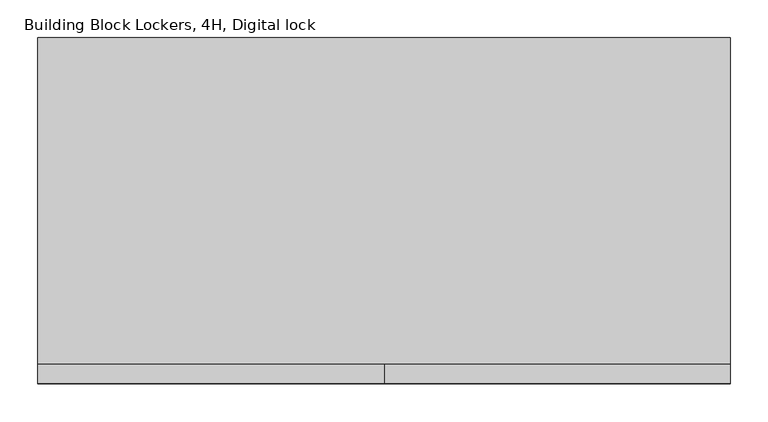
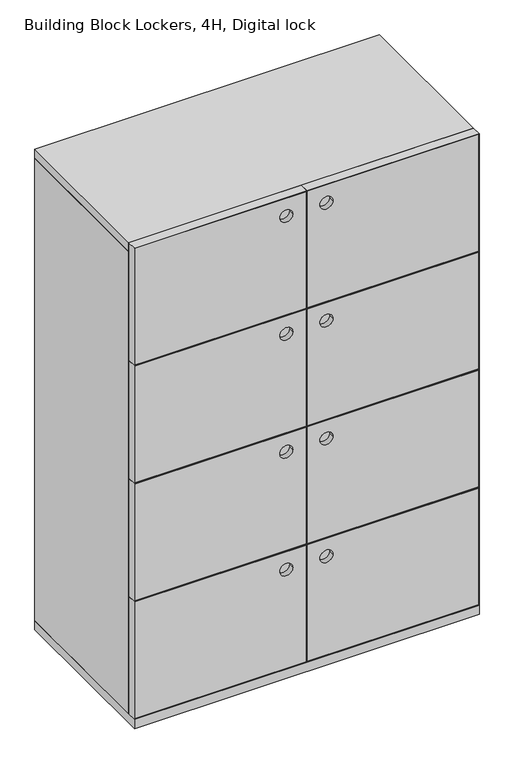
"""IFC4 building model written with IfcOpenShell, lengths in millimetres: furniture geometry, Building Block Lockers, 4H, Digital lock."""

from ifc_helpers import new_model, si_unit, point, frame, frame_2d, origin, origin_with_axes, place, context, project, spatial, polyline, circle_curve, trimmed, segment, composite_curve, outline, extrude, source, transform, mapped, element, save


def building_block_lockers_4h_digital_lock_56b67648(model_context):
    return source(origin(), model_context, "Body", "SweptSolid", [
        extrude(outline(composite_curve([segment(trimmed(circle_curve(frame_2d((315.9225908, 510.3810838)), 17.145), [point((315.9225908, 493.2360838))], [point((315.9225908, 527.5260838))], False, "CARTESIAN"), True, "CONTINUOUS"), segment(trimmed(circle_curve(frame_2d((315.9225908, 510.3810838)), 17.145), [point((315.9225908, 527.5260838))], [point((315.9225908, 493.2360838))], False, "CARTESIAN"), True, "CONTINUOUS")], self_intersect=False)), frame((0.0, -440.5250398, 0.0), z_axis=(0.0, 1.0, 0.0), x_axis=(0.0, 0.0, 1.0)), (0.0, 0.0, 1.0), 8.7250398),
        extrude(outline(composite_curve([segment(trimmed(circle_curve(frame_2d((315.9225855, 404.0187707)), 17.145), [point((315.9225855, 386.8737707))], [point((315.9225855, 421.1637707))], False, "CARTESIAN"), True, "CONTINUOUS"), segment(trimmed(circle_curve(frame_2d((315.9225855, 404.0187707)), 17.145), [point((315.9225855, 421.1637707))], [point((315.9225855, 386.8737707))], False, "CARTESIAN"), True, "CONTINUOUS")], self_intersect=False)), frame((0.0, -440.5250398, 0.0), z_axis=(0.0, 1.0, 0.0), x_axis=(0.0, 0.0, 1.0)), (0.0, 0.0, 1.0), 8.7250398),
        extrude(outline(composite_curve([segment(trimmed(circle_curve(frame_2d((646.1225908, 510.3810838)), 17.145), [point((646.1225908, 493.2360838))], [point((646.1225908, 527.5260838))], False, "CARTESIAN"), True, "CONTINUOUS"), segment(trimmed(circle_curve(frame_2d((646.1225908, 510.3810838)), 17.145), [point((646.1225908, 527.5260838))], [point((646.1225908, 493.2360838))], False, "CARTESIAN"), True, "CONTINUOUS")], self_intersect=False)), frame((0.0, -440.5250398, 0.0), z_axis=(0.0, 1.0, 0.0), x_axis=(0.0, 0.0, 1.0)), (0.0, 0.0, 1.0), 8.7250398),
        extrude(outline(composite_curve([segment(trimmed(circle_curve(frame_2d((646.1225855, 404.0187707)), 17.145), [point((646.1225855, 386.8737707))], [point((646.1225855, 421.1637707))], False, "CARTESIAN"), True, "CONTINUOUS"), segment(trimmed(circle_curve(frame_2d((646.1225855, 404.0187707)), 17.145), [point((646.1225855, 421.1637707))], [point((646.1225855, 386.8737707))], False, "CARTESIAN"), True, "CONTINUOUS")], self_intersect=False)), frame((0.0, -440.5250398, 0.0), z_axis=(0.0, 1.0, 0.0), x_axis=(0.0, 0.0, 1.0)), (0.0, 0.0, 1.0), 8.7250398),
        extrude(outline(composite_curve([segment(trimmed(circle_curve(frame_2d((976.3225908, 510.3810838)), 17.145), [point((976.3225908, 493.2360838))], [point((976.3225908, 527.5260838))], False, "CARTESIAN"), True, "CONTINUOUS"), segment(trimmed(circle_curve(frame_2d((976.3225908, 510.3810838)), 17.145), [point((976.3225908, 527.5260838))], [point((976.3225908, 493.2360838))], False, "CARTESIAN"), True, "CONTINUOUS")], self_intersect=False)), frame((0.0, -440.5250398, 0.0), z_axis=(0.0, 1.0, 0.0), x_axis=(0.0, 0.0, 1.0)), (0.0, 0.0, 1.0), 8.7250398),
        extrude(outline(composite_curve([segment(trimmed(circle_curve(frame_2d((976.3225855, 404.0187707)), 17.145), [point((976.3225855, 386.8737707))], [point((976.3225855, 421.1637707))], False, "CARTESIAN"), True, "CONTINUOUS"), segment(trimmed(circle_curve(frame_2d((976.3225855, 404.0187707)), 17.145), [point((976.3225855, 421.1637707))], [point((976.3225855, 386.8737707))], False, "CARTESIAN"), True, "CONTINUOUS")], self_intersect=False)), frame((0.0, -440.5250398, 0.0), z_axis=(0.0, 1.0, 0.0), x_axis=(0.0, 0.0, 1.0)), (0.0, 0.0, 1.0), 8.7250398),
        extrude(outline(composite_curve([segment(trimmed(circle_curve(frame_2d((1306.5225908, 510.3810838)), 17.145), [point((1306.5225908, 493.2360838))], [point((1306.5225908, 527.5260838))], False, "CARTESIAN"), True, "CONTINUOUS"), segment(trimmed(circle_curve(frame_2d((1306.5225908, 510.3810838)), 17.145), [point((1306.5225908, 527.5260838))], [point((1306.5225908, 493.2360838))], False, "CARTESIAN"), True, "CONTINUOUS")], self_intersect=False)), frame((0.0, -440.5250398, 0.0), z_axis=(0.0, 1.0, 0.0), x_axis=(0.0, 0.0, 1.0)), (0.0, 0.0, 1.0), 8.7250398),
        extrude(outline(composite_curve([segment(trimmed(circle_curve(frame_2d((1306.5225855, 404.0187707)), 17.145), [point((1306.5225855, 386.8737707))], [point((1306.5225855, 421.1637707))], False, "CARTESIAN"), True, "CONTINUOUS"), segment(trimmed(circle_curve(frame_2d((1306.5225855, 404.0187707)), 17.145), [point((1306.5225855, 421.1637707))], [point((1306.5225855, 386.8737707))], False, "CARTESIAN"), True, "CONTINUOUS")], self_intersect=False)), frame((0.0, -440.5250398, 0.0), z_axis=(0.0, 1.0, 0.0), x_axis=(0.0, 0.0, 1.0)), (0.0, 0.0, 1.0), 8.7250398),
        extrude(outline(polyline([(367.03, 1.27), (39.37, 1.27), (39.37, 455.93), (367.03, 455.93), (367.03, 1.27)]), holes=[composite_curve([segment(trimmed(circle_curve(frame_2d((315.9225855, 404.0187707)), 17.145), [point((315.9225855, 386.8737707))], [point((315.9225855, 421.1637707))], True, "CARTESIAN"), True, "CONTINUOUS"), segment(trimmed(circle_curve(frame_2d((315.9225855, 404.0187707)), 17.145), [point((315.9225855, 421.1637707))], [point((315.9225855, 386.8737707))], True, "CARTESIAN"), True, "CONTINUOUS")], self_intersect=False)]), frame((0.0, -455.6390877, 0.0), z_axis=(0.0, 1.0, 0.0), x_axis=(0.0, 0.0, 1.0)), (0.0, 0.0, 1.0), 23.8802268),
        extrude(outline(polyline([(368.3, 457.2), (368.3, 0.0), (38.1, 0.0), (38.1, 457.2), (368.3, 457.2)]), holes=[polyline([(367.03, 1.27), (367.03, 455.93), (39.37, 455.93), (39.37, 1.27), (367.03, 1.27)])]), frame((0.0, -457.2, 0.0), z_axis=(0.0, 1.0, 0.0), x_axis=(0.0, 0.0, 1.0)), (0.0, 0.0, 1.0), 25.4),
        extrude(outline(polyline([(367.03, 913.13), (367.03, 458.47), (39.37, 458.47), (39.37, 913.13), (367.03, 913.13)]), holes=[composite_curve([segment(trimmed(circle_curve(frame_2d((315.9225908, 510.3810838)), 17.145), [point((315.9225908, 493.2360838))], [point((315.9225908, 527.5260838))], True, "CARTESIAN"), True, "CONTINUOUS"), segment(trimmed(circle_curve(frame_2d((315.9225908, 510.3810838)), 17.145), [point((315.9225908, 527.5260838))], [point((315.9225908, 493.2360838))], True, "CARTESIAN"), True, "CONTINUOUS")], self_intersect=False)]), frame((0.0, -455.6390877, 0.0), z_axis=(0.0, 1.0, 0.0), x_axis=(0.0, 0.0, 1.0)), (0.0, 0.0, 1.0), 23.8802268),
        extrude(outline(polyline([(368.3, 457.2), (38.1, 457.2), (38.1, 914.4), (368.3, 914.4), (368.3, 457.2)]), holes=[polyline([(367.03, 913.13), (39.37, 913.13), (39.37, 458.47), (367.03, 458.47), (367.03, 913.13)])]), frame((0.0, -457.2, 0.0), z_axis=(0.0, 1.0, 0.0), x_axis=(0.0, 0.0, 1.0)), (0.0, 0.0, 1.0), 25.4),
        extrude(outline(polyline([(697.23, 1.27), (369.57, 1.27), (369.57, 455.93), (697.23, 455.93), (697.23, 1.27)]), holes=[composite_curve([segment(trimmed(circle_curve(frame_2d((646.1225855, 404.0187707)), 17.145), [point((646.1225855, 386.8737707))], [point((646.1225855, 421.1637707))], True, "CARTESIAN"), True, "CONTINUOUS"), segment(trimmed(circle_curve(frame_2d((646.1225855, 404.0187707)), 17.145), [point((646.1225855, 421.1637707))], [point((646.1225855, 386.8737707))], True, "CARTESIAN"), True, "CONTINUOUS")], self_intersect=False)]), frame((0.0, -455.6390877, 0.0), z_axis=(0.0, 1.0, 0.0), x_axis=(0.0, 0.0, 1.0)), (0.0, 0.0, 1.0), 23.8802268),
        extrude(outline(polyline([(698.5, 457.2), (698.5, 0.0), (368.3, 0.0), (368.3, 457.2), (698.5, 457.2)]), holes=[polyline([(697.23, 1.27), (697.23, 455.93), (369.57, 455.93), (369.57, 1.27), (697.23, 1.27)])]), frame((0.0, -457.2, 0.0), z_axis=(0.0, 1.0, 0.0), x_axis=(0.0, 0.0, 1.0)), (0.0, 0.0, 1.0), 25.4),
        extrude(outline(polyline([(697.23, 913.13), (697.23, 458.47), (369.57, 458.47), (369.57, 913.13), (697.23, 913.13)]), holes=[composite_curve([segment(trimmed(circle_curve(frame_2d((646.1225908, 510.3810838)), 17.145), [point((646.1225908, 493.2360838))], [point((646.1225908, 527.5260838))], True, "CARTESIAN"), True, "CONTINUOUS"), segment(trimmed(circle_curve(frame_2d((646.1225908, 510.3810838)), 17.145), [point((646.1225908, 527.5260838))], [point((646.1225908, 493.2360838))], True, "CARTESIAN"), True, "CONTINUOUS")], self_intersect=False)]), frame((0.0, -455.6390877, 0.0), z_axis=(0.0, 1.0, 0.0), x_axis=(0.0, 0.0, 1.0)), (0.0, 0.0, 1.0), 23.8802268),
        extrude(outline(polyline([(698.5, 457.2), (368.3, 457.2), (368.3, 914.4), (698.5, 914.4), (698.5, 457.2)]), holes=[polyline([(697.23, 913.13), (369.57, 913.13), (369.57, 458.47), (697.23, 458.47), (697.23, 913.13)])]), frame((0.0, -457.2, 0.0), z_axis=(0.0, 1.0, 0.0), x_axis=(0.0, 0.0, 1.0)), (0.0, 0.0, 1.0), 25.4),
        extrude(outline(polyline([(1027.43, 1.27), (699.77, 1.27), (699.77, 455.93), (1027.43, 455.93), (1027.43, 1.27)]), holes=[composite_curve([segment(trimmed(circle_curve(frame_2d((976.3225855, 404.0187707)), 17.145), [point((976.3225855, 386.8737707))], [point((976.3225855, 421.1637707))], True, "CARTESIAN"), True, "CONTINUOUS"), segment(trimmed(circle_curve(frame_2d((976.3225855, 404.0187707)), 17.145), [point((976.3225855, 421.1637707))], [point((976.3225855, 386.8737707))], True, "CARTESIAN"), True, "CONTINUOUS")], self_intersect=False)]), frame((0.0, -455.6390877, 0.0), z_axis=(0.0, 1.0, 0.0), x_axis=(0.0, 0.0, 1.0)), (0.0, 0.0, 1.0), 23.8802268),
        extrude(outline(polyline([(1028.7, 457.2), (1028.7, 0.0), (698.5, 0.0), (698.5, 457.2), (1028.7, 457.2)]), holes=[polyline([(1027.43, 1.27), (1027.43, 455.93), (699.77, 455.93), (699.77, 1.27), (1027.43, 1.27)])]), frame((0.0, -457.2, 0.0), z_axis=(0.0, 1.0, 0.0), x_axis=(0.0, 0.0, 1.0)), (0.0, 0.0, 1.0), 25.4),
        extrude(outline(polyline([(1027.43, 913.13), (1027.43, 458.47), (699.77, 458.47), (699.77, 913.13), (1027.43, 913.13)]), holes=[composite_curve([segment(trimmed(circle_curve(frame_2d((976.3225908, 510.3810838)), 17.145), [point((976.3225908, 493.2360838))], [point((976.3225908, 527.5260838))], True, "CARTESIAN"), True, "CONTINUOUS"), segment(trimmed(circle_curve(frame_2d((976.3225908, 510.3810838)), 17.145), [point((976.3225908, 527.5260838))], [point((976.3225908, 493.2360838))], True, "CARTESIAN"), True, "CONTINUOUS")], self_intersect=False)]), frame((0.0, -455.6390877, 0.0), z_axis=(0.0, 1.0, 0.0), x_axis=(0.0, 0.0, 1.0)), (0.0, 0.0, 1.0), 23.8802268),
        extrude(outline(polyline([(1028.7, 457.2), (698.5, 457.2), (698.5, 914.4), (1028.7, 914.4), (1028.7, 457.2)]), holes=[polyline([(1027.43, 913.13), (699.77, 913.13), (699.77, 458.47), (1027.43, 458.47), (1027.43, 913.13)])]), frame((0.0, -457.2, 0.0), z_axis=(0.0, 1.0, 0.0), x_axis=(0.0, 0.0, 1.0)), (0.0, 0.0, 1.0), 25.4),
        extrude(outline(polyline([(1357.63, 1.27), (1029.97, 1.27), (1029.97, 455.93), (1357.63, 455.93), (1357.63, 1.27)]), holes=[composite_curve([segment(trimmed(circle_curve(frame_2d((1306.5225855, 404.0187707)), 17.145), [point((1306.5225855, 386.8737707))], [point((1306.5225855, 421.1637707))], True, "CARTESIAN"), True, "CONTINUOUS"), segment(trimmed(circle_curve(frame_2d((1306.5225855, 404.0187707)), 17.145), [point((1306.5225855, 421.1637707))], [point((1306.5225855, 386.8737707))], True, "CARTESIAN"), True, "CONTINUOUS")], self_intersect=False)]), frame((0.0, -455.6390877, 0.0), z_axis=(0.0, 1.0, 0.0), x_axis=(0.0, 0.0, 1.0)), (0.0, 0.0, 1.0), 23.8390877),
        extrude(outline(polyline([(1358.9, 457.2), (1358.9, 0.0), (1028.7, 0.0), (1028.7, 457.2), (1358.9, 457.2)]), holes=[polyline([(1357.63, 1.27), (1357.63, 455.93), (1029.97, 455.93), (1029.97, 1.27), (1357.63, 1.27)])]), frame((0.0, -457.2, 0.0), z_axis=(0.0, 1.0, 0.0), x_axis=(0.0, 0.0, 1.0)), (0.0, 0.0, 1.0), 25.4),
        extrude(outline(polyline([(1357.63, 913.13), (1357.63, 458.47), (1029.97, 458.47), (1029.97, 913.13), (1357.63, 913.13)]), holes=[composite_curve([segment(trimmed(circle_curve(frame_2d((1306.5225908, 510.3810838)), 17.145), [point((1306.5225908, 493.2360838))], [point((1306.5225908, 527.5260838))], True, "CARTESIAN"), True, "CONTINUOUS"), segment(trimmed(circle_curve(frame_2d((1306.5225908, 510.3810838)), 17.145), [point((1306.5225908, 527.5260838))], [point((1306.5225908, 493.2360838))], True, "CARTESIAN"), True, "CONTINUOUS")], self_intersect=False)]), frame((0.0, -455.6390877, 0.0), z_axis=(0.0, 1.0, 0.0), x_axis=(0.0, 0.0, 1.0)), (0.0, 0.0, 1.0), 23.8802268),
        extrude(outline(polyline([(1358.9, 457.2), (1028.7, 457.2), (1028.7, 914.4), (1358.9, 914.4), (1358.9, 457.2)]), holes=[polyline([(1357.63, 913.13), (1029.97, 913.13), (1029.97, 458.47), (1357.63, 458.47), (1357.63, 913.13)])]), frame((0.0, -457.2, 0.0), z_axis=(0.0, 1.0, 0.0), x_axis=(0.0, 0.0, 1.0)), (0.0, 0.0, 1.0), 25.4),
        extrude(outline(polyline([(12.7, 81.7103244), (24.60625, 59.7481107), (24.60625, 40.3931796), (12.7, 40.3931796), (12.7, 81.7103244)])), frame((0.0, -23.5478252, 0.0), z_axis=(0.0, 1.0, 0.0), x_axis=(0.0, 0.0, 1.0)), (0.0, 0.0, 1.0), 0.9921875),
        extrude(outline(polyline([(914.4, -431.8), (889.0, -431.8), (889.0, 0.0), (914.4, 0.0), (914.4, -431.8)])), frame((0.0, 0.0, 38.1), z_axis=(0.0, 0.0, 1.0), x_axis=(1.0, 0.0, 0.0)), (0.0, 0.0, 1.0), 1295.4),
        extrude(outline(polyline([(889.0, -12.7), (25.4, -12.7), (25.4, -0.8620331), (889.0, -0.8620331), (889.0, -12.7)])), frame((0.0, 0.0, 38.1), z_axis=(0.0, 0.0, 1.0), x_axis=(1.0, 0.0, 0.0)), (0.0, 0.0, 1.0), 1295.4),
        extrude(outline(polyline([(25.4, -431.8), (0.0, -431.8), (0.0, 0.0), (25.4, 0.0), (25.4, -431.8)])), frame((0.0, 0.0, 38.1), z_axis=(0.0, 0.0, 1.0), x_axis=(1.0, 0.0, 0.0)), (0.0, 0.0, 1.0), 1295.4),
        extrude(outline(polyline([(914.4, 0.0), (914.4, -431.8), (0.0, -431.8), (0.0, 0.0), (914.4, 0.0)])), frame((0.0, 0.0, 1333.5), z_axis=(0.0, 0.0, 1.0), x_axis=(1.0, 0.0, 0.0)), (0.0, 0.0, 1.0), 25.4),
        extrude(outline(polyline([(914.4, -457.2), (0.0, -457.2), (0.0, 0.0), (914.4, 0.0), (914.4, -457.2)])), frame((0.0, 0.0, 12.7), z_axis=(0.0, 0.0, 1.0), x_axis=(1.0, 0.0, 0.0)), (0.0, 0.0, 1.0), 25.4),
        extrude(outline(composite_curve([segment(trimmed(circle_curve(frame_2d((28.5450835, 863.6)), 0.9921875), [point((28.5450835, 864.5921875))], [point((28.5450835, 862.6078125))], False, "CARTESIAN"), True, "CONTINUOUS"), segment(trimmed(circle_curve(frame_2d((28.5450835, 863.6)), 0.9921875), [point((28.5450835, 862.6078125))], [point((28.5450835, 864.5921875))], False, "CARTESIAN"), True, "CONTINUOUS")], self_intersect=False)), frame((0.0, -432.9785671, 0.0), z_axis=(0.0, 1.0, 0.0), x_axis=(0.0, 0.0, 1.0)), (0.0, 0.0, 1.0), 53.0422756),
        extrude(outline(composite_curve([segment(trimmed(circle_curve(frame_2d((28.5450835, 50.8)), 0.9921875), [point((28.5450835, 49.8078125))], [point((28.5450835, 51.7921875))], False, "CARTESIAN"), True, "CONTINUOUS"), segment(trimmed(circle_curve(frame_2d((28.5450835, 50.8)), 0.9921875), [point((28.5450835, 51.7921875))], [point((28.5450835, 49.8078125))], False, "CARTESIAN"), True, "CONTINUOUS")], self_intersect=False)), frame((0.0, -432.9785671, 0.0), z_axis=(0.0, 1.0, 0.0), x_axis=(0.0, 0.0, 1.0)), (0.0, 0.0, 1.0), 53.0422756),
        extrude(outline(composite_curve([segment(trimmed(circle_curve(frame_2d((28.5450835, 863.6)), 0.9921875), [point((28.5450835, 864.5921875))], [point((28.5450835, 862.6078125))], False, "CARTESIAN"), True, "CONTINUOUS"), segment(trimmed(circle_curve(frame_2d((28.5450835, 863.6)), 0.9921875), [point((28.5450835, 862.6078125))], [point((28.5450835, 864.5921875))], False, "CARTESIAN"), True, "CONTINUOUS")], self_intersect=False)), frame((0.0, -77.2637085, 0.0), z_axis=(0.0, 1.0, 0.0), x_axis=(0.0, 0.0, 1.0)), (0.0, 0.0, 1.0), 53.0422756),
        extrude(outline(composite_curve([segment(trimmed(circle_curve(frame_2d((28.5450835, 50.8)), 0.9921875), [point((28.5450835, 49.8078125))], [point((28.5450835, 51.7921875))], False, "CARTESIAN"), True, "CONTINUOUS"), segment(trimmed(circle_curve(frame_2d((28.5450835, 50.8)), 0.9921875), [point((28.5450835, 51.7921875))], [point((28.5450835, 49.8078125))], False, "CARTESIAN"), True, "CONTINUOUS")], self_intersect=False)), frame((0.0, -77.2637085, 0.0), z_axis=(0.0, 1.0, 0.0), x_axis=(0.0, 0.0, 1.0)), (0.0, 0.0, 1.0), 53.0422756),
        extrude(outline(composite_curve([segment(trimmed(circle_curve(frame_2d((850.9, -406.4)), 15.9254799), [point((866.8254799, -406.4))], [point((834.9745201, -406.4))], False, "CARTESIAN"), True, "CONTINUOUS"), segment(trimmed(circle_curve(frame_2d((850.9, -406.4)), 15.9254799), [point((834.9745201, -406.4))], [point((866.8254799, -406.4))], False, "CARTESIAN"), True, "CONTINUOUS")], self_intersect=False)), origin_with_axes(), (0.0, 0.0, 1.0), 7.9375),
        extrude(outline(composite_curve([segment(trimmed(circle_curve(frame_2d((850.9, -406.4)), 10.16), [point((861.06, -406.4))], [point((840.74, -406.4))], False, "CARTESIAN"), True, "CONTINUOUS"), segment(trimmed(circle_curve(frame_2d((850.9, -406.4)), 10.16), [point((840.74, -406.4))], [point((861.06, -406.4))], False, "CARTESIAN"), True, "CONTINUOUS")], self_intersect=False)), frame((0.0, 0.0, 7.9375), z_axis=(0.0, 0.0, 1.0), x_axis=(1.0, 0.0, 0.0)), (0.0, 0.0, 1.0), 4.7625),
        extrude(outline(composite_curve([segment(trimmed(circle_curve(frame_2d((850.9, -50.8)), 15.9254799), [point((866.8254799, -50.8))], [point((834.9745201, -50.8))], False, "CARTESIAN"), True, "CONTINUOUS"), segment(trimmed(circle_curve(frame_2d((850.9, -50.8)), 15.9254799), [point((834.9745201, -50.8))], [point((866.8254799, -50.8))], False, "CARTESIAN"), True, "CONTINUOUS")], self_intersect=False)), origin_with_axes(), (0.0, 0.0, 1.0), 7.9375),
        extrude(outline(composite_curve([segment(trimmed(circle_curve(frame_2d((850.9, -50.8)), 10.16), [point((861.06, -50.8))], [point((840.74, -50.8))], False, "CARTESIAN"), True, "CONTINUOUS"), segment(trimmed(circle_curve(frame_2d((850.9, -50.8)), 10.16), [point((840.74, -50.8))], [point((861.06, -50.8))], False, "CARTESIAN"), True, "CONTINUOUS")], self_intersect=False)), frame((0.0, 0.0, 7.9375), z_axis=(0.0, 0.0, 1.0), x_axis=(1.0, 0.0, 0.0)), (0.0, 0.0, 1.0), 4.7625),
        extrude(outline(composite_curve([segment(trimmed(circle_curve(frame_2d((63.5, -406.4)), 15.9254799), [point((47.5745201, -406.4))], [point((79.4254799, -406.4))], False, "CARTESIAN"), True, "CONTINUOUS"), segment(trimmed(circle_curve(frame_2d((63.5, -406.4)), 15.9254799), [point((79.4254799, -406.4))], [point((47.5745201, -406.4))], False, "CARTESIAN"), True, "CONTINUOUS")], self_intersect=False)), origin_with_axes(), (0.0, 0.0, 1.0), 7.9375),
        extrude(outline(composite_curve([segment(trimmed(circle_curve(frame_2d((63.5, -406.4)), 10.16), [point((53.34, -406.4))], [point((73.66, -406.4))], False, "CARTESIAN"), True, "CONTINUOUS"), segment(trimmed(circle_curve(frame_2d((63.5, -406.4)), 10.16), [point((73.66, -406.4))], [point((53.34, -406.4))], False, "CARTESIAN"), True, "CONTINUOUS")], self_intersect=False)), frame((0.0, 0.0, 7.9375), z_axis=(0.0, 0.0, 1.0), x_axis=(1.0, 0.0, 0.0)), (0.0, 0.0, 1.0), 4.7625),
        extrude(outline(composite_curve([segment(trimmed(circle_curve(frame_2d((63.5, -50.8)), 15.9254799), [point((47.5745201, -50.8))], [point((79.4254799, -50.8))], False, "CARTESIAN"), True, "CONTINUOUS"), segment(trimmed(circle_curve(frame_2d((63.5, -50.8)), 15.9254799), [point((79.4254799, -50.8))], [point((47.5745201, -50.8))], False, "CARTESIAN"), True, "CONTINUOUS")], self_intersect=False)), origin_with_axes(), (0.0, 0.0, 1.0), 7.9375),
        extrude(outline(composite_curve([segment(trimmed(circle_curve(frame_2d((63.5, -50.8)), 10.16), [point((53.34, -50.8))], [point((73.66, -50.8))], False, "CARTESIAN"), True, "CONTINUOUS"), segment(trimmed(circle_curve(frame_2d((63.5, -50.8)), 10.16), [point((73.66, -50.8))], [point((53.34, -50.8))], False, "CARTESIAN"), True, "CONTINUOUS")], self_intersect=False)), frame((0.0, 0.0, 7.9375), z_axis=(0.0, 0.0, 1.0), x_axis=(1.0, 0.0, 0.0)), (0.0, 0.0, 1.0), 4.7625),
    ])


if __name__ == "__main__":
    model = new_model("IFC4")
    model_context = context("Model", 3, world=origin())
    ifc_project = project(units=[si_unit("LENGTHUNIT", "METRE", prefix="MILLI")], contexts=[model_context])
    site = spatial("IfcSite", under=ifc_project)
    building = spatial("IfcBuilding", under=site)
    placement = place(None, origin())
    building_block_lockers_4h_digital_lock_shape = building_block_lockers_4h_digital_lock_56b67648(model_context)
    element("IfcFurniture", 1, ObjectType="Building Block Lockers, 4H, Digital lock", at=placement, inside=building, context=model_context, shape_type="MappedRepresentation", body=[
        mapped(building_block_lockers_4h_digital_lock_shape, transform((0.0, 0.0, 0.0), x_axis=(1.0, 0.0, 0.0), y_axis=(0.0, 1.0, 0.0), z_axis=(0.0, 0.0, 1.0))),
    ])
    save(model, "model.ifc")
